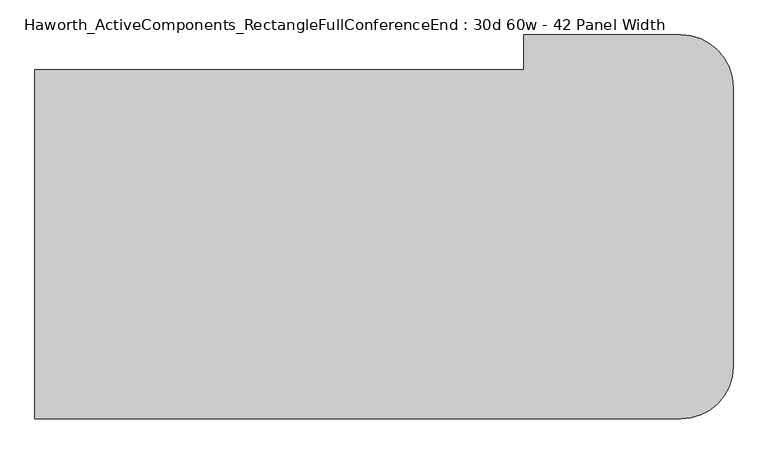
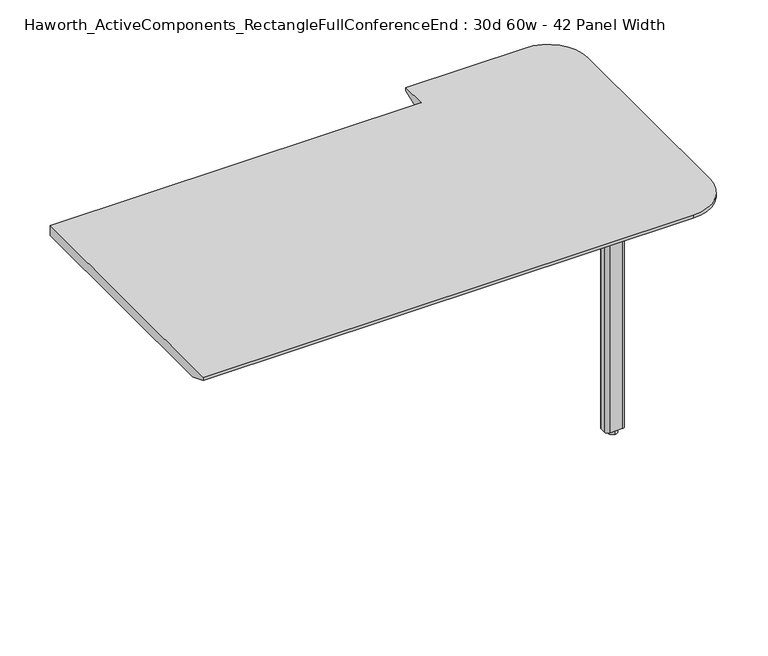
"""IFC4 building model written with IfcOpenShell, lengths in millimetres: furniture geometry, Haworth_ActiveComponents_RectangleFullConferenceEnd : 30d 60w - 42 Panel Width."""

from ifc_helpers import new_model, si_unit, point, frame, frame_2d, origin, origin_with_axes, place, context, project, spatial, polyline, circle_curve, trimmed, segment, composite_curve, outline, extrude, source, transform, mapped, element, save
from ifc_brep_helpers import plane_surface, cylinder_surface, revolved_surface, advanced_brep


def haworth_activecomponents_rectanglefullconferenceend_30d_60w_d6217751(model_context):
    return source(origin(), model_context, "Body", "SolidModel", [
        extrude(outline(composite_curve([segment(trimmed(circle_curve(frame_2d((910.43125, -310.8784766)), 9.525), [point((900.90625, -310.8784766))], [point((910.43125, -301.3534766))], False, "CARTESIAN"), True, "CONTINUOUS"), segment(polyline([(910.43125, -301.3534766), (1043.78125, -301.3534766)]), True, "CONTINUOUS"), segment(trimmed(circle_curve(frame_2d((1043.78125, -310.8784766)), 9.525), [point((1043.78125, -301.3534766))], [point((1053.30625, -310.8784766))], False, "CARTESIAN"), True, "CONTINUOUS"), segment(polyline([(1053.30625, -310.8784766), (1053.30625, -444.2284766)]), True, "CONTINUOUS"), segment(trimmed(circle_curve(frame_2d((1043.78125, -444.2284766)), 9.525), [point((1053.30625, -444.2284766))], [point((1043.78125, -453.7534766))], False, "CARTESIAN"), True, "CONTINUOUS"), segment(polyline([(1043.78125, -453.7534766), (910.43125, -453.7534766)]), True, "CONTINUOUS"), segment(trimmed(circle_curve(frame_2d((910.43125, -444.2284766)), 9.525), [point((910.43125, -453.7534766))], [point((900.90625, -444.2284766))], False, "CARTESIAN"), True, "CONTINUOUS"), segment(polyline([(900.90625, -444.2284766), (900.90625, -310.8784766)]), True, "CONTINUOUS")], self_intersect=False)), frame((0.0, 0.0, 706.4375), z_axis=(0.0, 0.0, 1.0), x_axis=(1.0, 0.0, 0.0)), (0.0, 0.0, 1.0), 4.7625),
        extrude(outline(composite_curve([segment(trimmed(circle_curve(frame_2d((977.10625, -377.5534766)), 13.6023831), [point((977.10625, -391.1558596))], [point((977.10625, -363.9510935))], False, "CARTESIAN"), True, "CONTINUOUS"), segment(trimmed(circle_curve(frame_2d((977.10625, -377.5534766)), 13.6023831), [point((977.10625, -363.9510935))], [point((977.10625, -391.1558596))], False, "CARTESIAN"), True, "CONTINUOUS")], self_intersect=False)), origin_with_axes(), (0.0, 0.0, 1.0), 12.7),
        extrude(outline(composite_curve([segment(trimmed(circle_curve(frame_2d((958.85, -369.6159766)), 9.525), [point((949.325, -369.6159766))], [point((958.85, -360.0909766))], False, "CARTESIAN"), True, "CONTINUOUS"), segment(polyline([(958.85, -360.0909766), (995.3625, -360.0909766)]), True, "CONTINUOUS"), segment(trimmed(circle_curve(frame_2d((995.3625, -369.6159766)), 9.525), [point((995.3625, -360.0909766))], [point((1004.8875, -369.6159766))], False, "CARTESIAN"), True, "CONTINUOUS"), segment(polyline([(1004.8875, -369.6159766), (1004.8875, -385.4909766)]), True, "CONTINUOUS"), segment(trimmed(circle_curve(frame_2d((995.3625, -385.4909766)), 9.525), [point((1004.8875, -385.4909766))], [point((995.3625, -395.0159766))], False, "CARTESIAN"), True, "CONTINUOUS"), segment(polyline([(995.3625, -395.0159766), (958.85, -395.0159766)]), True, "CONTINUOUS"), segment(trimmed(circle_curve(frame_2d((958.85, -385.4909766)), 9.525), [point((958.85, -395.0159766))], [point((949.325, -385.4909766))], False, "CARTESIAN"), True, "CONTINUOUS"), segment(polyline([(949.325, -385.4909766), (949.325, -369.6159766)]), True, "CONTINUOUS")], self_intersect=False)), frame((0.0, 0.0, 12.7), z_axis=(0.0, 0.0, 1.0), x_axis=(1.0, 0.0, 0.0)), (0.0, 0.0, 1.0), 693.7375),
        advanced_brep(
        [(749.3, 181.2465234, 741.3625), (-317.5, 181.2465234, 741.3625), (-317.5, -580.7534766, 741.3625), (1092.2, -580.7534766, 741.3625), (1206.5, -466.4534766, 741.3625), (1206.5, 143.1465234, 741.3625), (1092.2, 257.4465234, 741.3625), (749.3, 257.4465234, 741.3625), (-317.5, 181.2465234, 711.2), (749.3, 181.2465234, 711.2), (749.3, 206.6465234, 711.2), (1092.2, 206.6465234, 711.2), (1155.7, 143.1465234, 711.2), (1155.7, -466.4534766, 711.2), (1092.2, -529.9534766, 711.2), (-317.5, -529.9534766, 711.2), (-317.5, -580.7534766, 731.8375), (1092.2, -580.7534766, 731.8375), (1206.5, -466.4534766, 731.8375), (1206.5, 143.1465234, 731.8375), (1092.2, 257.4465234, 731.8375), (749.3, 257.4465234, 731.8375)],
        [
            (0, 1),
            (1, 2),
            (2, 3),
            (3, 4, circle_curve(frame((1092.2, -466.4534766, 741.3625), z_axis=(0.0, 0.0, 1.0), x_axis=(1.0, 0.0, 0.0)), 114.3)),
            (4, 5),
            (5, 6, circle_curve(frame((1092.2, 143.1465234, 741.3625), z_axis=(0.0, 0.0, 1.0), x_axis=(1.0, 0.0, 0.0)), 114.3)),
            (6, 7),
            (7, 0),
            (8, 9),
            (9, 10),
            (10, 11),
            (11, 12, circle_curve(frame((1092.2, 143.1465234, 711.2), z_axis=(0.0, 0.0, -1.0), x_axis=(1.0, 0.0, 0.0)), 63.5)),
            (12, 13),
            (13, 14, circle_curve(frame((1092.2, -466.4534766, 711.2), z_axis=(0.0, 0.0, -1.0), x_axis=(0.0, -1.0, 0.0)), 63.5)),
            (14, 15),
            (15, 8),
            (0, 9),
            (8, 1),
            (15, 16),
            (16, 2),
            (16, 17),
            (17, 3),
            (4, 18),
            (18, 19),
            (19, 5),
            (17, 18, circle_curve(frame((1092.2, -466.4534766, 731.8375), z_axis=(0.0, 0.0, 1.0), x_axis=(1.0, 0.0, 0.0)), 114.3)),
            (6, 20),
            (20, 21),
            (21, 7),
            (21, 10),
            (14, 17),
            (13, 18),
            (12, 19),
            (11, 20),
            (20, 19, circle_curve(frame((1092.2, 143.1465234, 731.8375), z_axis=(0.0, 0.0, -1.0), x_axis=(1.0, 0.0, 0.0)), 114.3)),
        ],
        [
            plane_surface(frame((-317.5, 181.2465234, 741.3625), z_axis=(0.0, 0.0, 1.0), x_axis=(-1.0, 0.0, 0.0))),
            plane_surface(frame((-317.5, 181.2465234, 711.2), z_axis=(0.0, 0.0, -1.0), x_axis=(1.0, 0.0, 0.0))),
            plane_surface(frame((749.3, 181.2465234, 741.3625), z_axis=(0.0, 1.0, 0.0), x_axis=(0.0, 0.0, -1.0))),
            plane_surface(frame((-317.5, 181.2465234, 741.3625), z_axis=(-1.0, 0.0, 0.0), x_axis=(0.0, 0.0, -1.0))),
            plane_surface(frame((-317.5, -580.7534766, 741.3625), z_axis=(0.0, -1.0, 0.0), x_axis=(0.0, 0.0, -1.0))),
            plane_surface(frame((1206.5, -466.4534766, 741.3625), z_axis=(1.0, 0.0, 0.0), x_axis=(0.0, 0.0, -1.0))),
            cylinder_surface(frame((1092.2, -466.4534766, 711.2), z_axis=(0.0, 0.0, 1.0), x_axis=(1.0, 0.0, 0.0)), 114.3),
            plane_surface(frame((1092.2, 257.4465234, 741.3625), z_axis=(0.0, 1.0, 0.0), x_axis=(0.0, 0.0, -1.0))),
            plane_surface(frame((749.3, 257.4465234, 741.3625), z_axis=(-1.0, 0.0, 0.0), x_axis=(0.0, 0.0, -1.0))),
            plane_surface(frame((-317.5, -580.7534766, 731.8375), z_axis=(0.0, -0.3763770469576607, -0.9264665771216094), x_axis=(1.0, 0.0, 0.0))),
            revolved_surface(polyline([(1092.2, -529.9534766, 711.2), (1092.2, -580.7534766, 731.8375)]), (1092.2, -466.4534766, 0.0), (0.0, 0.0, 1.0)),
            plane_surface(frame((1206.5, -466.4534766, 731.8375), z_axis=(0.3763770469576607, 0.0, -0.9264665771216094), x_axis=(0.0, 1.0, 0.0))),
            revolved_surface(polyline([(1155.7, 143.1465234, 711.2), (1206.5, 143.1465234, 731.8375)]), (1092.2, 143.1465234, 0.0), (0.0, 0.0, 1.0)),
            plane_surface(frame((1092.2, 257.4465234, 731.8375), z_axis=(0.0, 0.3763770469576607, -0.9264665771216094), x_axis=(-1.0, 0.0, 0.0))),
            cylinder_surface(frame((1092.2, 143.1465234, 711.2), z_axis=(0.0, 0.0, 1.0), x_axis=(1.0, 0.0, 0.0)), 114.3),
        ],
        [
            (0, [[1, 2, 3, 4, 5, 6, 7, 8]]),
            (1, [[9, 10, 11, 12, 13, 14, 15, 16]]),
            (2, [[-1, 17, -9, 18]]),
            (3, [[-2, -18, -16, 19, 20]]),
            (4, [[-3, -20, 21, 22]]),
            (5, [[-5, 23, 24, 25]]),
            (6, [[-4, -22, 26, -23]]),
            (7, [[-7, 27, 28, 29]]),
            (8, [[-8, -29, 30, -10, -17]]),
            (9, [[31, -21, -19, -15]]),
            (10, [[-31, -14, 32, -26]]),
            (11, [[-32, -13, 33, -24]]),
            (12, [[-33, -12, 34, 35]]),
            (13, [[-34, -11, -30, -28]]),
            (14, [[-6, -25, -35, -27]]),
        ],
    ),
    ])


if __name__ == "__main__":
    model = new_model("IFC4")
    model_context = context("Model", 3, world=origin())
    ifc_project = project(units=[si_unit("LENGTHUNIT", "METRE", prefix="MILLI")], contexts=[model_context])
    site = spatial("IfcSite", under=ifc_project)
    building = spatial("IfcBuilding", under=site)
    placement = place(None, origin())
    haworth_activecomponents_rectanglefullconferenceend_30d_60w_shape = haworth_activecomponents_rectanglefullconferenceend_30d_60w_d6217751(model_context)
    element("IfcFurniture", 1, ObjectType="Haworth_ActiveComponents_RectangleFullConferenceEnd : 30d 60w - 42 Panel Width", at=placement, inside=building, context=model_context, shape_type="MappedRepresentation", body=[
        mapped(haworth_activecomponents_rectanglefullconferenceend_30d_60w_shape, transform((0.0, 0.0, 0.0), x_axis=(1.0, 0.0, 0.0), y_axis=(0.0, 1.0, 0.0), z_axis=(0.0, 0.0, 1.0))),
    ])
    save(model, "model.ifc")
